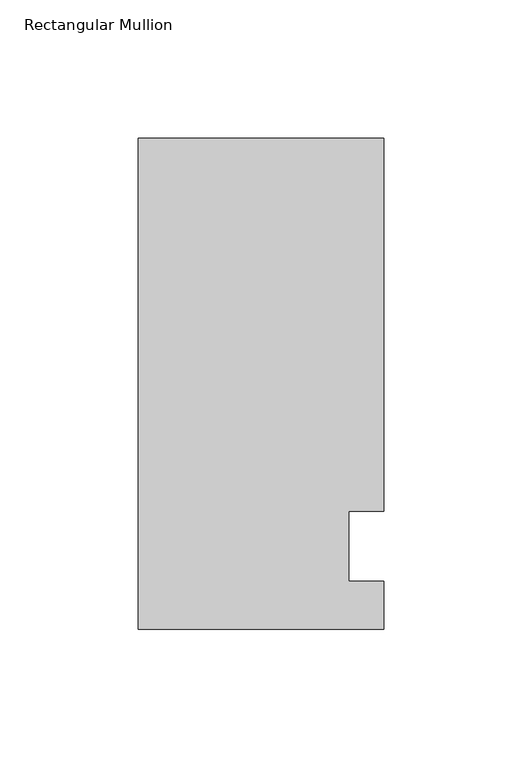
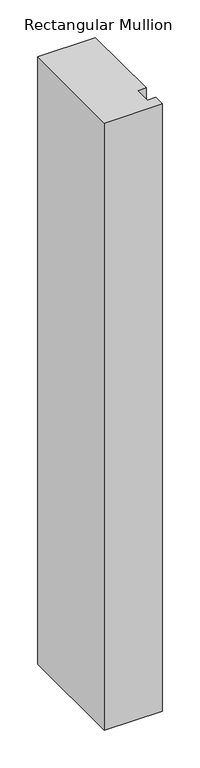
"""IFC4 building model written with IfcOpenShell, lengths in millimetres: member geometry, Rectangular Mullion."""

import ifcopenshell
import ifcopenshell.guid

model = None  # the IFC model being written
_history = None  # IfcOwnerHistory: only IFC2X3 demands one
_inside = {}  # id of a spatial element -> (the spatial element, [elements in it])
_under = {}  # id of a project, library or spatial element -> (it, [spatial elements below it])
_declared = {}  # id of a project -> (the project, [libraries it declares])
_typed = {}  # id of a type object -> (the type object, [elements of that type])
_made_of = {}  # id of a material, layer set ... -> (it, [elements and type objects made of it])


def new_model(schema):
    """Start an empty IFC model of exactly this schema.

    Asked for "IFC4X3", IfcOpenShell would pick the latest addendum, in which some entities
    have other attributes; the version numbers below select the first issue.
    IFC2X3 requires an IfcOwnerHistory on every rooted entity: one is made here for all.
    """
    global model, _history
    if schema == "IFC4X3":
        model = ifcopenshell.file(schema_version=(4, 3, 0, 0))
    else:
        model = ifcopenshell.file(schema=schema)
    _inside.clear()
    _under.clear()
    _declared.clear()
    _typed.clear()
    _made_of.clear()
    _history = None
    if model.schema == "IFC2X3":
        org = make("IfcOrganization", Name="unknown")
        user = make(
            "IfcPersonAndOrganization",
            ThePerson=make("IfcPerson", FamilyName="unknown"),
            TheOrganization=org,
        )
        app = make(
            "IfcApplication",
            ApplicationDeveloper=org,
            Version="unknown",
            ApplicationFullName="unknown",
            ApplicationIdentifier="unknown",
        )
        _history = make(
            "IfcOwnerHistory",
            OwningUser=user,
            OwningApplication=app,
            ChangeAction="ADDED",
            CreationDate=0,
        )
    return model


def make(cls, **values):
    """One entity of the class cls with the attributes given. An attribute that is None is left unset."""
    return model.create_entity(
        cls, **{name: value for name, value in values.items() if value is not None}
    )


def rooted(cls, **values):
    """An entity with a GlobalId (a new one), such as an element, a storey or a relation."""
    return make(cls, GlobalId=ifcopenshell.guid.new(), OwnerHistory=_history, **values)


def si_unit(unit_type, name, prefix=None):
    """IfcSIUnit, for example si_unit("LENGTHUNIT", "METRE", prefix="MILLI")."""
    return make("IfcSIUnit", UnitType=unit_type, Prefix=prefix, Name=name)


def assignment(units):
    """IfcUnitAssignment: the units of a project."""
    return None if units is None else make("IfcUnitAssignment", Units=units)


def point(xyz):
    """IfcCartesianPoint."""
    return None if xyz is None else make("IfcCartesianPoint", Coordinates=xyz)


def direction(xyz):
    """IfcDirection."""
    return None if xyz is None else make("IfcDirection", DirectionRatios=xyz)


def frame(location, z_axis=None, x_axis=None):
    """IfcAxis2Placement3D, a coordinate frame: its origin and axes. An axis left out is left unset."""
    return make(
        "IfcAxis2Placement3D",
        Location=point(location),
        Axis=direction(z_axis),
        RefDirection=direction(x_axis),
    )


def origin():
    """The frame at (0, 0, 0) with its axes left unset."""
    return frame((0.0, 0.0, 0.0))


def place(relative_to, where):
    """IfcLocalPlacement: puts the frame where relative to a parent placement (None: the world)."""
    return make(
        "IfcLocalPlacement", PlacementRelTo=relative_to, RelativePlacement=where
    )


def context(
    kind, dimensions, precision=None, world=None, true_north=None, identifier=None
):
    """IfcGeometricRepresentationContext, for example the 3D "Model" context."""
    return make(
        "IfcGeometricRepresentationContext",
        ContextIdentifier=identifier,
        ContextType=kind,
        CoordinateSpaceDimension=dimensions,
        Precision=precision,
        WorldCoordinateSystem=world,
        TrueNorth=true_north,
    )


def project(units=None, contexts=None):
    """IfcProject with its units and contexts."""
    return rooted(
        "IfcProject",
        Name="project",
        RepresentationContexts=contexts,
        UnitsInContext=assignment(units),
    )


def spatial(cls, under=None, at=None, **own):
    """A site, building, storey or space (cls), placed at a placement, below another one or the project."""
    s = rooted(cls, ObjectPlacement=at, **own)
    if under is not None:
        _under.setdefault(under.id(), (under, []))[1].append(s)
    return s


def polyline(points):
    """IfcPolyline through the points."""
    return make("IfcPolyline", Points=[point(p) for p in points])


def outline(outer, holes=None, kind="AREA"):
    """IfcArbitraryClosedProfileDef: a profile drawn as a closed curve; with holes, ...WithVoids."""
    if holes is None:
        return make("IfcArbitraryClosedProfileDef", ProfileType=kind, OuterCurve=outer)
    return make(
        "IfcArbitraryProfileDefWithVoids",
        ProfileType=kind,
        OuterCurve=outer,
        InnerCurves=holes,
    )


def extrude(swept, where, along, depth):
    """IfcExtrudedAreaSolid: the profile swept, set in the frame where, extruded along a direction by depth."""
    return make(
        "IfcExtrudedAreaSolid",
        SweptArea=swept,
        Position=where,
        ExtrudedDirection=direction(along),
        Depth=depth,
    )


def shape(context_of_items, identifier, shape_type, items):
    """IfcShapeRepresentation: the items that make up one representation, for example the "Body"."""
    return make(
        "IfcShapeRepresentation",
        ContextOfItems=context_of_items,
        RepresentationIdentifier=identifier,
        RepresentationType=shape_type,
        Items=items,
    )


def source(mapping_origin, context_of_items, identifier, shape_type, items):
    """IfcRepresentationMap: a shape defined once, which mapped items show again and again."""
    return make(
        "IfcRepresentationMap",
        MappingOrigin=mapping_origin,
        MappedRepresentation=shape(context_of_items, identifier, shape_type, items),
    )


def transform(
    local_origin,
    x_axis=None,
    y_axis=None,
    z_axis=None,
    scale=None,
    scale2=None,
    scale3=None,
    uniform=True,
):
    """IfcCartesianTransformationOperator3D, or its non-uniform kind. x_axis, y_axis, z_axis: its Axis1, 2, 3."""
    if uniform:
        return make(
            "IfcCartesianTransformationOperator3D",
            Axis1=direction(x_axis),
            Axis2=direction(y_axis),
            LocalOrigin=point(local_origin),
            Scale=scale,
            Axis3=direction(z_axis),
        )
    return make(
        "IfcCartesianTransformationOperator3DnonUniform",
        Axis1=direction(x_axis),
        Axis2=direction(y_axis),
        LocalOrigin=point(local_origin),
        Scale=scale,
        Axis3=direction(z_axis),
        Scale2=scale2,
        Scale3=scale3,
    )


def mapped(mapping_source, mapping_target):
    """IfcMappedItem: shows the shape of a source again, moved by a transform."""
    return make(
        "IfcMappedItem", MappingSource=mapping_source, MappingTarget=mapping_target
    )


def made_of(thing, what):
    """Note that an element or type object is made of a material, layer set ...; save() writes the relation."""
    if what is not None:
        _made_of.setdefault(what.id(), (what, []))[1].append(thing)
    return thing


def element(
    cls,
    number,
    at=None,
    inside=None,
    cuts=None,
    type_object=None,
    material=None,
    context=None,
    identifier="Body",
    shape_type=None,
    held_by="IfcProductDefinitionShape",
    body=None,
    shapes=None,
    **own,
):
    """One element of the class cls, such as IfcWall. Its Tag is "e" and its number.

    at: its placement. inside: the storey or other place that contains it. cuts: it is an
    opening in that element (IfcRelVoidsElement). A single representation is given by context,
    identifier, shape_type and body (its items); several are given by shapes. held_by: the class
    of the entity that holds the representations. save() writes the other relations.
    """
    e = rooted(cls, Tag="e%d" % number, ObjectPlacement=at, **own)
    if body is not None:
        shapes = [shape(context, identifier, shape_type, body)]
    if shapes is not None:
        e.Representation = make(held_by, Representations=shapes)
    if inside is not None:
        _inside.setdefault(inside.id(), (inside, []))[1].append(e)
    if cuts is not None:
        rooted(
            "IfcRelVoidsElement", RelatingBuildingElement=cuts, RelatedOpeningElement=e
        )
    if type_object is not None:
        _typed.setdefault(type_object.id(), (type_object, []))[1].append(e)
    return made_of(e, material)


def aggregate(whole, parts):
    """IfcRelAggregates: a whole, such as a stair, and the parts it consists of."""
    return rooted("IfcRelAggregates", RelatingObject=whole, RelatedObjects=parts)


def save(model, path):
    """Write the relations noted so far, then the file.

    IfcRelAggregates (storeys below a building ...), IfcRelContainedInSpatialStructure (elements
    in a storey), IfcRelDefinesByType, IfcRelAssociatesMaterial and IfcRelDeclares: one each for
    every whole, place, type object, material and project.
    """
    for whole, parts in _under.values():
        aggregate(whole, parts)
    for where, things in _inside.values():
        rooted(
            "IfcRelContainedInSpatialStructure",
            RelatedElements=things,
            RelatingStructure=where,
        )
    for kind, things in _typed.values():
        rooted("IfcRelDefinesByType", RelatedObjects=things, RelatingType=kind)
    for what, things in _made_of.values():
        rooted("IfcRelAssociatesMaterial", RelatedObjects=things, RelatingMaterial=what)
    for by, libraries in _declared.values():
        rooted("IfcRelDeclares", RelatingContext=by, RelatedDefinitions=libraries)
    model.write(path)


def rectangular_mullion_8b78a79b(model_context):
    return source(origin(), model_context, "Body", "SweptSolid", [
        extrude(outline(polyline([(48.7844027, 149.225), (48.7844027, 14.2339535), (36.0844027, 14.2339535), (36.0844027, -11.1660465), (48.7844027, -11.1660465), (48.7844027, -28.575), (-40.1155973, -28.575), (-40.1155973, 149.225), (48.7844027, 149.225)])), frame((0.0, 0.0, -987.425), z_axis=(0.0, 0.0, 1.0), x_axis=(1.0, 0.0, 0.0)), (0.0, 0.0, 1.0), 987.425),
    ])


if __name__ == "__main__":
    model = new_model("IFC4")
    model_context = context("Model", 3, world=origin())
    ifc_project = project(units=[si_unit("LENGTHUNIT", "METRE", prefix="MILLI")], contexts=[model_context])
    site = spatial("IfcSite", under=ifc_project)
    building = spatial("IfcBuilding", under=site)
    placement = place(None, origin())
    rectangular_mullion_shape = rectangular_mullion_8b78a79b(model_context)
    element("IfcMember", 1, ObjectType="Rectangular Mullion", at=placement, inside=building, context=model_context, shape_type="MappedRepresentation", body=[
        mapped(rectangular_mullion_shape, transform((0.0, 0.0, 0.0), x_axis=(1.0, 0.0, 0.0), y_axis=(0.0, 1.0, 0.0), z_axis=(0.0, 0.0, 1.0))),
    ])
    save(model, "model.ifc")
